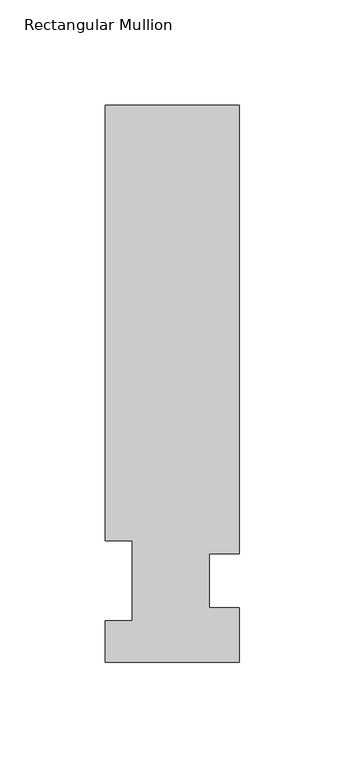
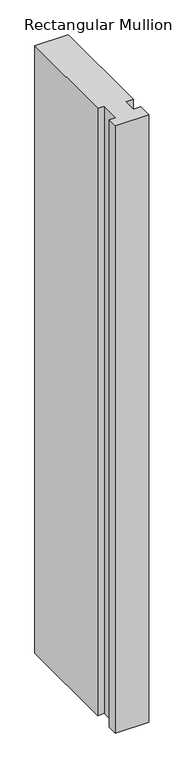
"""IFC4 building model written with IfcOpenShell, lengths in millimetres: member geometry, Rectangular Mullion."""

from ifc_helpers import new_model, si_unit, frame, origin, place, context, project, spatial, polyline, outline, extrude, source, transform, mapped, element, save


def rectangular_mullion_97ea64d0(model_context):
    return source(origin(), model_context, "Body", "SweptSolid", [
        extrude(outline(polyline([(-31.75, 264.0210938), (31.75, 264.0210938), (31.75, 51.2960938), (17.4625, 51.2960938), (17.4625, 25.8960938), (31.75, 25.8960938), (31.75, 0.0134938), (-31.75, 0.0134938), (-31.75, 19.5460938), (-19.05, 19.5460938), (-19.05, 57.6460937), (-31.75, 57.6460938), (-31.75, 264.0210938)])), frame((0.0, 0.0, -1219.2), z_axis=(0.0, 0.0, 1.0), x_axis=(1.0, 0.0, 0.0)), (0.0, 0.0, 1.0), 1219.2),
    ])


if __name__ == "__main__":
    model = new_model("IFC4")
    model_context = context("Model", 3, world=origin())
    ifc_project = project(units=[si_unit("LENGTHUNIT", "METRE", prefix="MILLI")], contexts=[model_context])
    site = spatial("IfcSite", under=ifc_project)
    building = spatial("IfcBuilding", under=site)
    placement = place(None, origin())
    rectangular_mullion_shape = rectangular_mullion_97ea64d0(model_context)
    element("IfcMember", 1, ObjectType="Rectangular Mullion", at=placement, inside=building, context=model_context, shape_type="MappedRepresentation", body=[
        mapped(rectangular_mullion_shape, transform((0.0, 0.0, 0.0), x_axis=(1.0, 0.0, 0.0), y_axis=(0.0, 1.0, 0.0), z_axis=(0.0, 0.0, 1.0))),
    ])
    save(model, "model.ifc")
